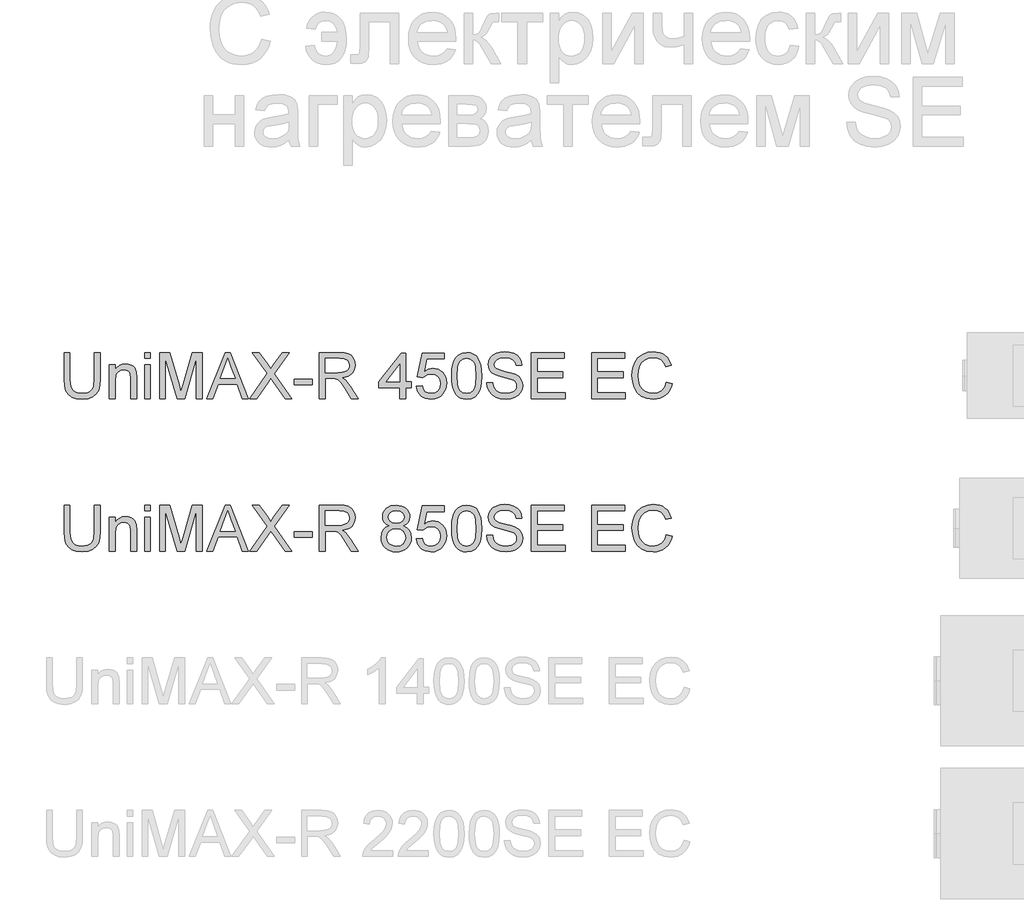
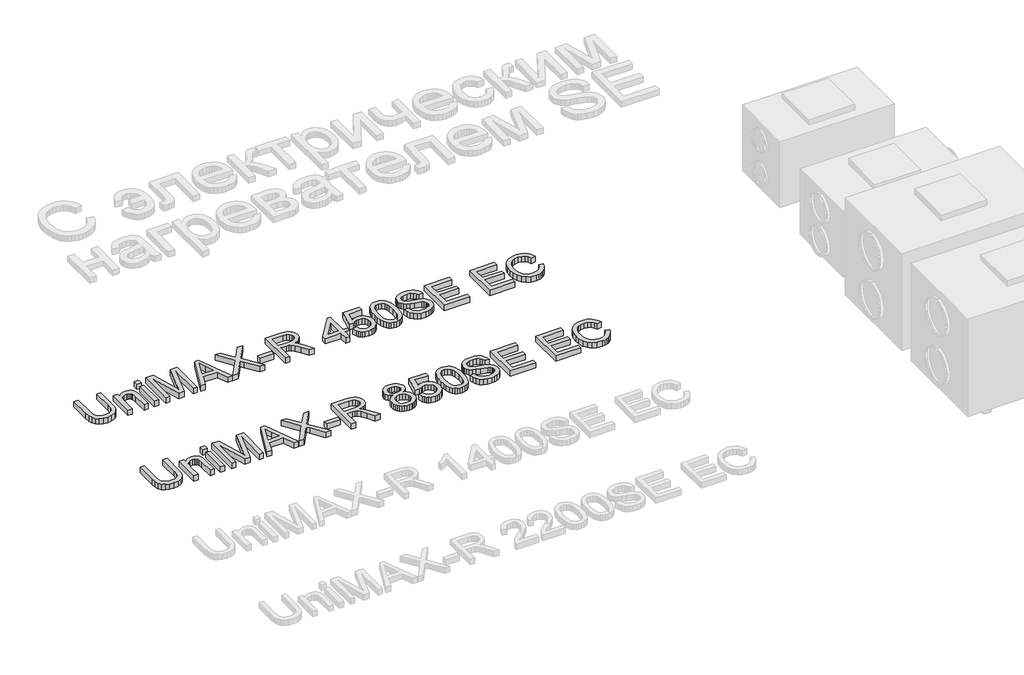
# One storey, part 51 of 74: 2 proxies.
"""IFC4 building model written with IfcOpenShell, lengths in millimetres."""

from ifc_helpers import new_model, si_unit, origin, origin_with_axes, place, context, project, spatial, polyline, outline, extrude, element, save

model = new_model("IFC4")

# Units and contexts
model_context = context("Model", 3, world=origin())
ifc_project = project(units=[si_unit("LENGTHUNIT", "METRE", prefix="MILLI")], contexts=[model_context])

# Site, building, storey
site = spatial("IfcSite", under=ifc_project)
building = spatial("IfcBuilding", under=site)
storey = spatial("IfcBuildingStorey", under=building, Elevation=0.0)

# Proxies
placement = place(None, origin())
element("IfcBuildingElementProxy", 1, Name="Generic Models", at=placement, inside=storey, context=model_context, shape_type="SweptSolid", body=[
    extrude(outline(polyline([(56360.9850854, -27731.9528304), (56398.6562017, -27731.9528304), (56398.6562017, -27905.8138613), (56396.0994218, -27946.5292011), (56388.4290822, -27977.8819441), (56374.1000785, -28002.0701853), (56351.5673063, -28021.2920196), (56320.7755833, -28033.8459926), (56281.6697272, -28038.0306503), (56243.4191968, -28034.3886186), (56212.8390059, -28023.4625233), (56189.9199576, -28005.6294436), (56174.6528548, -27981.2664585), (56166.0720073, -27948.5893403), (56163.2117248, -27905.8138613), (56163.2117248, -27731.9528304), (56200.8828411, -27731.9528304), (56200.8828411, -27904.4894861), (56202.7406451, -27938.3438267), (56208.3140574, -27961.9158655), (56218.4124181, -27978.2406291), (56233.8450678, -27990.3531438), (56253.968213, -27997.8579365), (56278.1380601, -28000.359534), (56316.4529698, -27995.4115212), (56330.7957691, -27989.2265052), (56341.928798, -27980.5674827), (56350.2659237, -27968.3905887), (56356.2210135, -27951.6519579), (56360.9850854, -27904.4894861), (56360.9850854, -27731.9528304)])), origin_with_axes(), (0.0, 0.0, 1.0), 50.0),
    extrude(outline(polyline([(56459.8717657, -28033.3217608), (56459.8717657, -27812.0039525), (56497.542882, -27812.0039525), (56497.542882, -27842.9060401), (56510.630284, -27827.3262376), (56526.3480422, -27816.1978072), (56544.6961567, -27809.520749), (56565.6746275, -27807.295063), (56584.2434712, -27809.0884877), (56601.2488164, -27814.4687619), (56615.4306673, -27822.7645009), (56625.5290281, -27833.30432), (56636.8230053, -27861.0058343), (56638.8095681, -27897.4261518), (56638.8095681, -28033.3217608), (56601.1384518, -28033.3217608), (56601.1384518, -27902.5029233), (56596.7974443, -27869.1728146), (56590.7917707, -27859.2491977), (56581.4567651, -27851.551267), (56569.4914032, -27846.6124512), (56555.5946608, -27844.9661793), (56533.5309382, -27848.6633933), (56514.7229712, -27859.7550355), (56507.2066821, -27868.8095311), (56501.8379043, -27881.1841617), (56497.542882, -27915.8938279), (56497.542882, -28033.3217608), (56459.8717657, -28033.3217608)])), origin_with_axes(), (0.0, 0.0, 1.0), 50.0),
    extrude(outline(polyline([(56690.607353, -28033.3217608), (56690.607353, -27812.0039525), (56728.2784694, -27812.0039525), (56728.2784694, -28033.3217608), (56690.607353, -28033.3217608)])), origin_with_axes(), (0.0, 0.0, 1.0), 50.0),
    extrude(outline(polyline([(56690.607353, -27769.6239467), (56690.607353, -27731.9528304), (56728.2784694, -27731.9528304), (56728.2784694, -27769.6239467), (56690.607353, -27769.6239467)])), origin_with_axes(), (0.0, 0.0, 1.0), 50.0),
    extrude(outline(polyline([(56789.4940333, -28033.3217608), (56789.4940333, -27731.9528304), (56854.3148409, -27731.9528304), (56915.9718633, -27944.3678944), (56928.4062747, -27988.734463), (56941.8707558, -27940.6890744), (57002.4977086, -27731.9528304), (57067.3185161, -27731.9528304), (57067.3185161, -28033.3217608), (57029.6473998, -28033.3217608), (57029.6473998, -27769.6239467), (56953.9372852, -28033.3217608), (56902.8752643, -28033.3217608), (56827.1651497, -27769.6239467), (56827.1651497, -28033.3217608), (56789.4940333, -28033.3217608)])), origin_with_axes(), (0.0, 0.0, 1.0), 50.0),
    extrude(outline(polyline([(57098.1470273, -28033.3217608), (57218.4444397, -27731.9528304), (57250.5237497, -27731.9528304), (57370.8211621, -28033.3217608), (57331.0163302, -28033.3217608), (57296.5089991, -27939.14397), (57172.3856139, -27939.14397), (57137.9518592, -28033.3217608), (57098.1470273, -28033.3217608)]), holes=[polyline([(57186.2179769, -27901.4728537), (57282.7502125, -27901.4728537), (57255.6005212, -27827.3814199), (57234.4840947, -27769.6239467), (57215.722113, -27820.9066968), (57186.2179769, -27901.4728537)])]), origin_with_axes(), (0.0, 0.0, 1.0), 50.0),
    extrude(outline(polyline([(57378.1052256, -28033.3217608), (57494.2823597, -27869.0992382), (57396.9407838, -27731.9528304), (57442.1166928, -27731.9528304), (57496.9311101, -27809.1344729), (57515.3987862, -27839.2272201), (57537.0302475, -27808.6194381), (57591.2560536, -27731.9528304), (57637.0941502, -27731.9528304), (57539.7525743, -27869.5406965), (57655.9297084, -28033.3217608), (57610.7537994, -28033.3217608), (57533.3514276, -27924.1343846), (57517.2381962, -27901.4728537), (57499.506284, -27926.3416766), (57423.9433222, -28033.3217608), (57378.1052256, -28033.3217608)])), origin_with_axes(), (0.0, 0.0, 1.0), 50.0),
    extrude(outline(polyline([(57670.056377, -27943.8528596), (57670.056377, -27906.1817433), (57787.7786155, -27906.1817433), (57787.7786155, -27943.8528596), (57670.056377, -27943.8528596)])), origin_with_axes(), (0.0, 0.0, 1.0), 50.0),
    extrude(outline(polyline([(57834.8675108, -28033.3217608), (57834.8675108, -27731.9528304), (57964.7298551, -27731.9528304), (57999.6326594, -27733.9853784), (58025.0257141, -27740.0830224), (58043.5853608, -27751.3402115), (58057.9879409, -27768.8513945), (58067.230976, -27790.5656292), (58070.3119878, -27814.4319737), (58065.2076251, -27844.1200507), (58049.894537, -27868.7313562), (58038.2947579, -27878.7607391), (58023.9128711, -27886.775968), (57986.8027749, -27896.7639642), (58008.213507, -27912.8771956), (58038.7477126, -27951.6519579), (58089.0003931, -28033.3217608), (58045.2224357, -28033.3217608), (58006.006215, -27970.855398), (57977.6793014, -27929.5054618), (57957.7768854, -27909.9709278), (57939.8610323, -27902.7972289), (57918.0088418, -27901.4728537), (57872.5386271, -27901.4728537), (57872.5386271, -28033.3217608), (57834.8675108, -28033.3217608)]), holes=[polyline([(57872.5386271, -27863.8017374), (57956.8571804, -27863.8017374), (57981.0730128, -27862.4681652), (57999.8625857, -27858.4674485), (58014.0076484, -27851.5328729), (58024.2899502, -27841.3977239), (58030.5531411, -27829.1380564), (58032.6408714, -27815.8299253), (58028.6585489, -27797.4542196), (58016.7115811, -27782.6469693), (57996.1561746, -27772.8797023), (57966.3485359, -27769.6239467), (57872.5386271, -27769.6239467), (57872.5386271, -27863.8017374)])]), origin_with_axes(), (0.0, 0.0, 1.0), 50.0),
    extrude(outline(polyline([(58362.2631391, -28033.3217608), (58362.2631391, -27962.6884177), (58225.7053425, -27962.6884177), (58225.7053425, -27925.0173014), (58371.6809182, -27736.6617199), (58399.9342554, -27736.6617199), (58399.9342554, -27925.0173014), (58437.6053717, -27925.0173014), (58437.6053717, -27962.6884177), (58399.9342554, -27962.6884177), (58399.9342554, -28033.3217608), (58362.2631391, -28033.3217608)]), holes=[polyline([(58362.2631391, -27925.0173014), (58362.2631391, -27808.6194381), (58272.0584739, -27925.0173014), (58362.2631391, -27925.0173014)])]), origin_with_axes(), (0.0, 0.0, 1.0), 50.0),
    extrude(outline(polyline([(58470.5675985, -27953.2706387), (58508.2387148, -27948.5617491), (58515.1548963, -27971.1772948), (58527.2214258, -27987.3732996), (58544.3831208, -27997.1129754), (58566.5847992, -28000.359534), (58593.5873377, -27995.8437825), (58613.8208474, -27982.2965281), (58626.457594, -27961.2812691), (58630.6698428, -27934.3615041), (58626.7243084, -27909.0144346), (58614.8877052, -27889.6270535), (58595.0680627, -27877.3214007), (58567.1734104, -27873.2195165), (58548.8988723, -27874.8565914), (58534.1008191, -27879.767816), (58512.9476044, -27896.7639642), (58475.276488, -27892.0550747), (58508.2387148, -27736.6617199), (58654.2142905, -27736.6617199), (58654.2142905, -27774.3328362), (58538.699344, -27774.3328362), (58522.5861126, -27857.3270143), (58549.4966806, -27840.9930537), (58577.6948355, -27835.5484002), (58596.0406508, -27837.2360588), (58612.8919454, -27842.2990348), (58628.2487194, -27850.7373281), (58642.1109729, -27862.5509386), (58653.5865918, -27877.0178981), (58661.7834626, -27893.416238), (58666.701585, -27911.7459584), (58668.3409591, -27932.0070593), (58662.4364531, -27969.6781756), (58655.0558206, -27986.4719887), (58644.722935, -28001.9046384), (58629.0695561, -28017.7097686), (58610.8042151, -28028.9991474), (58589.9269118, -28035.7727746), (58566.4376465, -28038.0306503), (58529.4379148, -28032.2273119), (58513.759244, -28024.9731388), (58499.9613699, -28014.8172964), (58488.4811524, -28002.2656226), (58479.7554513, -27987.823955), (58470.5675985, -27953.2706387)])), origin_with_axes(), (0.0, 0.0, 1.0), 50.0),
    extrude(outline(polyline([(58701.3031859, -27885.0653167), (58704.0714979, -27836.8267901), (58712.3764339, -27798.3555305), (58726.1352206, -27769.0629266), (58745.2650843, -27748.3603673), (58769.9039809, -27736.0547146), (58800.1898662, -27731.9528304), (58823.4032201, -27734.3808515), (58844.1885528, -27741.664915), (58861.5709771, -27753.5199123), (58874.5756056, -27769.6607349), (58884.3980549, -27789.9494269), (58892.2339414, -27814.2480327), (58897.3658952, -27845.104135), (58899.0765465, -27885.0653167), (58896.3358256, -27933.0279319), (58888.113663, -27971.407221), (58874.4376499, -28000.727416), (58855.3353773, -28021.5127488), (58830.6412983, -28033.9011749), (58800.1898662, -28038.0306503), (58779.4413217, -28036.2372256), (58761.0472219, -28030.8569514), (58745.0075669, -28021.8898278), (58731.3223567, -28009.3358547), (58718.1889695, -27986.6421341), (58708.8079786, -27958.3658043), (58703.1793841, -27924.5068652), (58701.3031859, -27885.0653167)]), holes=[polyline([(58738.9743022, -27884.9917403), (58743.3888861, -27944.2483327), (58748.9071161, -27964.5163314), (58756.632638, -27978.5441317), (58776.3511129, -27994.9056835), (58800.1898662, -28000.359534), (58824.0286195, -27994.8872894), (58843.7470944, -27978.4705553), (58851.4726163, -27964.4197624), (58856.9908462, -27944.1563622), (58861.4054302, -27884.9917403), (58857.137999, -27827.0687202), (58851.8037101, -27806.8674001), (58844.3357056, -27792.5062068), (58824.6540189, -27775.3445117), (58799.7484078, -27769.6239467), (58776.1671719, -27774.66393), (58757.2212491, -27789.78388), (58749.2382099, -27805.4188648), (58743.5360389, -27826.4985031), (58738.9743022, -27884.9917403)])]), origin_with_axes(), (0.0, 0.0, 1.0), 50.0),
    extrude(outline(polyline([(58932.0387733, -27929.726191), (58969.7098896, -27929.726191), (58974.032503, -27950.6310853), (58981.8499954, -27967.4340955), (58994.0452835, -27980.7698178), (59011.5012842, -27991.2728488), (59032.8384399, -27998.0878627), (59056.6771932, -28000.359534), (59077.664861, -27998.6396857), (59096.0405667, -27993.4801407), (59110.9305905, -27985.3131604), (59121.4612126, -27974.5710062), (59127.7244035, -27962.2377623), (59129.8121339, -27949.2975131), (59128.2486354, -27936.6883577), (59123.5581399, -27925.7898536), (59114.0299963, -27916.4916362), (59097.9535531, -27908.6833408), (59043.1023476, -27894.2991548), (59007.0958973, -27884.7802082), (58984.0572874, -27875.7211141), (58965.3045027, -27863.0475793), (58952.0147656, -27847.688506), (58944.0961056, -27829.974988), (58941.4565523, -27810.2381189), (58944.721505, -27788.1743963), (58954.5163632, -27767.6005957), (58970.5836093, -27750.1629891), (58992.6657261, -27737.5078485), (59019.1716238, -27729.8099177), (59048.5102129, -27727.2439408), (59080.2952173, -27729.9294794), (59108.1070961, -27737.9860951), (59130.952568, -27751.248241), (59147.8383516, -27769.5503703), (59158.5253236, -27791.7520487), (59162.7743606, -27816.712842), (59125.1032443, -27816.712842), (59118.1870628, -27794.2352521), (59103.7660886, -27778.0116561), (59081.2333164, -27768.1892069), (59049.9817409, -27764.9150571), (59017.9944014, -27768.1524187), (58996.0502404, -27777.8645034), (58983.3583116, -27792.1567189), (58979.1276686, -27809.1344729), (58982.1259069, -27823.6106295), (58991.1206217, -27835.2540946), (59012.384201, -27845.6651551), (59052.6304913, -27856.2969447), (59094.1643685, -27866.3953055), (59119.2907088, -27875.2060793), (59140.7658203, -27888.8728954), (59155.7478145, -27905.7402849), (59164.5493913, -27925.6243067), (59167.4832502, -27948.3410199), (59164.1079329, -27971.5635709), (59153.9819809, -27993.4065643), (59137.5192617, -28012.2053343), (59115.1336423, -28026.2952147), (59088.2138773, -28035.0967914), (59058.1487212, -28038.0306503), (59021.24096, -28034.8668652), (58990.8631043, -28025.3755097), (58966.6656661, -28009.5197957), (58948.2991574, -27987.262935), (58936.5085395, -27960.150032), (58932.0387733, -27929.726191)])), origin_with_axes(), (0.0, 0.0, 1.0), 50.0),
    extrude(outline(polyline([(59223.9899246, -28033.3217608), (59223.9899246, -27731.9528304), (59440.5988434, -27731.9528304), (59440.5988434, -27769.6239467), (59261.6610409, -27769.6239467), (59261.6610409, -27859.0928479), (59431.1810643, -27859.0928479), (59431.1810643, -27896.7639642), (59261.6610409, -27896.7639642), (59261.6610409, -27995.6506445), (59445.3077329, -27995.6506445), (59445.3077329, -28033.3217608), (59223.9899246, -28033.3217608)])), origin_with_axes(), (0.0, 0.0, 1.0), 50.0),
    extrude(outline(polyline([(59619.5366458, -28033.3217608), (59619.5366458, -27731.9528304), (59836.1455646, -27731.9528304), (59836.1455646, -27769.6239467), (59657.2077622, -27769.6239467), (59657.2077622, -27859.0928479), (59826.7277855, -27859.0928479), (59826.7277855, -27896.7639642), (59657.2077622, -27896.7639642), (59657.2077622, -27995.6506445), (59840.8544541, -27995.6506445), (59840.8544541, -28033.3217608), (59619.5366458, -28033.3217608)])), origin_with_axes(), (0.0, 0.0, 1.0), 50.0),
    extrude(outline(polyline([(60109.2611578, -27926.1945238), (60146.9322741, -27935.9066085), (60139.4780652, -27959.3337938), (60129.5498499, -27979.8041276), (60117.1476281, -27997.3176098), (60102.2713999, -28011.8742405), (60085.2568576, -28023.3176698), (60066.4396936, -28031.4915479), (60045.8199078, -28036.3958747), (60023.3975001, -28038.0306503), (59979.7023162, -28033.0826375), (59945.001847, -28018.238599), (59918.4039787, -27994.0135696), (59899.0165976, -27960.9225842), (59887.1799944, -27922.0190632), (59883.23446, -27880.3564272), (59887.6950292, -27836.4129229), (59901.0767368, -27798.4658951), (59922.6806069, -27767.7201573), (59951.8076639, -27745.3805232), (59986.3517832, -27731.7780864), (60024.2068405, -27727.2439408), (60065.5107915, -27733.1116586), (60083.4795277, -27740.4463059), (60099.6594377, -27750.7148121), (60113.7838071, -27763.6458642), (60125.5859214, -27778.9681493), (60142.2233846, -27816.7864184), (60104.5522683, -27825.7627391), (60091.4924575, -27798.2911511), (60073.6501807, -27779.4463959), (60050.8047088, -27768.5478918), (60022.7353126, -27764.9150571), (59990.3800911, -27768.943365), (59963.8006169, -27781.0282885), (59943.6314865, -27799.9006349), (59930.5072964, -27824.2912111), (59923.3060063, -27851.8639667), (59920.9055763, -27880.2828508), (59923.7474647, -27915.0844876), (59932.2731299, -27945.1772348), (59946.8044688, -27969.4114612), (59967.6633779, -27986.6375356), (59992.6701565, -27996.9290344), (60019.6451038, -28000.359534), (60051.0898173, -27995.6874327), (60077.2922124, -27981.6711287), (60097.0750667, -27958.4577748), (60109.2611578, -27926.1945238)])), origin_with_axes(), (0.0, 0.0, 1.0), 50.0),
])
element("IfcBuildingElementProxy", 2, Name="Generic Models", at=placement, inside=storey, context=model_context, shape_type="SweptSolid", body=[
    extrude(outline(polyline([(56360.9850854, -28731.9528304), (56398.6562017, -28731.9528304), (56398.6562017, -28905.8138613), (56396.0994218, -28946.5292011), (56388.4290822, -28977.8819441), (56374.1000785, -29002.0701853), (56351.5673063, -29021.2920196), (56320.7755833, -29033.8459926), (56281.6697272, -29038.0306503), (56243.4191968, -29034.3886186), (56212.8390059, -29023.4625233), (56189.9199576, -29005.6294436), (56174.6528548, -28981.2664585), (56166.0720073, -28948.5893403), (56163.2117248, -28905.8138613), (56163.2117248, -28731.9528304), (56200.8828411, -28731.9528304), (56200.8828411, -28904.4894861), (56202.7406451, -28938.3438267), (56208.3140574, -28961.9158655), (56218.4124181, -28978.2406291), (56233.8450678, -28990.3531438), (56253.968213, -28997.8579365), (56278.1380601, -29000.359534), (56316.4529698, -28995.4115212), (56330.7957691, -28989.2265052), (56341.928798, -28980.5674827), (56350.2659237, -28968.3905887), (56356.2210135, -28951.6519579), (56360.9850854, -28904.4894861), (56360.9850854, -28731.9528304)])), origin_with_axes(), (0.0, 0.0, 1.0), 50.0),
    extrude(outline(polyline([(56459.8717657, -29033.3217608), (56459.8717657, -28812.0039525), (56497.542882, -28812.0039525), (56497.542882, -28842.9060401), (56510.630284, -28827.3262376), (56526.3480422, -28816.1978072), (56544.6961567, -28809.520749), (56565.6746275, -28807.295063), (56584.2434712, -28809.0884877), (56601.2488164, -28814.4687619), (56615.4306673, -28822.7645009), (56625.5290281, -28833.30432), (56636.8230053, -28861.0058343), (56638.8095681, -28897.4261518), (56638.8095681, -29033.3217608), (56601.1384518, -29033.3217608), (56601.1384518, -28902.5029233), (56596.7974443, -28869.1728146), (56590.7917707, -28859.2491977), (56581.4567651, -28851.551267), (56569.4914032, -28846.6124512), (56555.5946608, -28844.9661793), (56533.5309382, -28848.6633933), (56514.7229712, -28859.7550355), (56507.2066821, -28868.8095311), (56501.8379043, -28881.1841617), (56497.542882, -28915.8938279), (56497.542882, -29033.3217608), (56459.8717657, -29033.3217608)])), origin_with_axes(), (0.0, 0.0, 1.0), 50.0),
    extrude(outline(polyline([(56690.607353, -29033.3217608), (56690.607353, -28812.0039525), (56728.2784694, -28812.0039525), (56728.2784694, -29033.3217608), (56690.607353, -29033.3217608)])), origin_with_axes(), (0.0, 0.0, 1.0), 50.0),
    extrude(outline(polyline([(56690.607353, -28769.6239467), (56690.607353, -28731.9528304), (56728.2784694, -28731.9528304), (56728.2784694, -28769.6239467), (56690.607353, -28769.6239467)])), origin_with_axes(), (0.0, 0.0, 1.0), 50.0),
    extrude(outline(polyline([(56789.4940333, -29033.3217608), (56789.4940333, -28731.9528304), (56854.3148409, -28731.9528304), (56915.9718633, -28944.3678944), (56928.4062747, -28988.734463), (56941.8707558, -28940.6890744), (57002.4977086, -28731.9528304), (57067.3185161, -28731.9528304), (57067.3185161, -29033.3217608), (57029.6473998, -29033.3217608), (57029.6473998, -28769.6239467), (56953.9372852, -29033.3217608), (56902.8752643, -29033.3217608), (56827.1651497, -28769.6239467), (56827.1651497, -29033.3217608), (56789.4940333, -29033.3217608)])), origin_with_axes(), (0.0, 0.0, 1.0), 50.0),
    extrude(outline(polyline([(57098.1470273, -29033.3217608), (57218.4444397, -28731.9528304), (57250.5237497, -28731.9528304), (57370.8211621, -29033.3217608), (57331.0163302, -29033.3217608), (57296.5089991, -28939.14397), (57172.3856139, -28939.14397), (57137.9518592, -29033.3217608), (57098.1470273, -29033.3217608)]), holes=[polyline([(57186.2179769, -28901.4728537), (57282.7502125, -28901.4728537), (57255.6005212, -28827.3814199), (57234.4840947, -28769.6239467), (57215.722113, -28820.9066968), (57186.2179769, -28901.4728537)])]), origin_with_axes(), (0.0, 0.0, 1.0), 50.0),
    extrude(outline(polyline([(57378.1052256, -29033.3217608), (57494.2823597, -28869.0992382), (57396.9407838, -28731.9528304), (57442.1166928, -28731.9528304), (57496.9311101, -28809.1344729), (57515.3987862, -28839.2272201), (57537.0302475, -28808.6194381), (57591.2560536, -28731.9528304), (57637.0941502, -28731.9528304), (57539.7525743, -28869.5406965), (57655.9297084, -29033.3217608), (57610.7537994, -29033.3217608), (57533.3514276, -28924.1343846), (57517.2381962, -28901.4728537), (57499.506284, -28926.3416766), (57423.9433222, -29033.3217608), (57378.1052256, -29033.3217608)])), origin_with_axes(), (0.0, 0.0, 1.0), 50.0),
    extrude(outline(polyline([(57670.056377, -28943.8528596), (57670.056377, -28906.1817433), (57787.7786155, -28906.1817433), (57787.7786155, -28943.8528596), (57670.056377, -28943.8528596)])), origin_with_axes(), (0.0, 0.0, 1.0), 50.0),
    extrude(outline(polyline([(57834.8675108, -29033.3217608), (57834.8675108, -28731.9528304), (57964.7298551, -28731.9528304), (57999.6326594, -28733.9853784), (58025.0257141, -28740.0830224), (58043.5853608, -28751.3402115), (58057.9879409, -28768.8513945), (58067.230976, -28790.5656292), (58070.3119878, -28814.4319737), (58065.2076251, -28844.1200507), (58049.894537, -28868.7313562), (58038.2947579, -28878.7607391), (58023.9128711, -28886.775968), (57986.8027749, -28896.7639642), (58008.213507, -28912.8771956), (58038.7477126, -28951.6519579), (58089.0003931, -29033.3217608), (58045.2224357, -29033.3217608), (58006.006215, -28970.855398), (57977.6793014, -28929.5054618), (57957.7768854, -28909.9709278), (57939.8610323, -28902.7972289), (57918.0088418, -28901.4728537), (57872.5386271, -28901.4728537), (57872.5386271, -29033.3217608), (57834.8675108, -29033.3217608)]), holes=[polyline([(57872.5386271, -28863.8017374), (57956.8571804, -28863.8017374), (57981.0730128, -28862.4681652), (57999.8625857, -28858.4674485), (58014.0076484, -28851.5328729), (58024.2899502, -28841.3977239), (58030.5531411, -28829.1380564), (58032.6408714, -28815.8299253), (58028.6585489, -28797.4542196), (58016.7115811, -28782.6469693), (57996.1561746, -28772.8797023), (57966.3485359, -28769.6239467), (57872.5386271, -28769.6239467), (57872.5386271, -28863.8017374)])]), origin_with_axes(), (0.0, 0.0, 1.0), 50.0),
    extrude(outline(polyline([(58294.7200048, -28867.3334046), (58274.5508744, -28857.4005907), (58260.3966147, -28843.9361097), (58252.0364963, -28827.215873), (58249.2497902, -28807.5157922), (58250.7673034, -28792.1521203), (58255.3198431, -28778.0668384), (58262.9074093, -28765.2599465), (58273.5300019, -28753.7314445), (58286.6771847, -28744.2033008), (58301.8385214, -28737.3974839), (58338.2036566, -28731.9528304), (58374.7895211, -28737.5262426), (58390.1164047, -28744.4930079), (58403.4659226, -28754.2464793), (58414.2816532, -28766.000309), (58422.0071751, -28778.9681493), (58426.6424883, -28793.1500003), (58428.1875927, -28808.5458617), (58425.4376747, -28827.6113461), (58417.187921, -28844.0464743), (58403.3463609, -28857.4281819), (58383.821024, -28867.3334046), (58407.0067868, -28879.2803724), (58423.8833733, -28896.8743288), (58434.1748721, -28919.2691452), (58437.6053717, -28945.6186932), (58435.9039175, -28964.4082661), (58430.7995548, -28981.6343405), (58422.2922837, -28997.2969164), (58410.3821041, -29011.3959939), (58395.6944154, -29023.0486561), (58378.8546171, -29031.3719862), (58359.8627091, -29036.3659843), (58338.7186914, -29038.0306503), (58317.5746738, -29036.3590865), (58298.5827658, -29031.3443951), (58281.7429674, -29022.986576), (58267.0552788, -29011.2856293), (58255.1450992, -28997.0876835), (58246.637828, -28981.2388673), (58241.5334654, -28963.7391807), (58239.8320111, -28944.5886236), (58243.4004665, -28917.2182031), (58254.1058325, -28894.703825), (58271.3962863, -28877.8180414), (58294.7200048, -28867.3334046)]), holes=[polyline([(58277.5031274, -28943.2642484), (58283.7939096, -28971.6279502), (58292.5035158, -28983.7956472), (58306.0507703, -28992.8547413), (58322.2743663, -28998.4833359), (58339.012997, -29000.359534), (58364.6543721, -28996.4139996), (58383.8946004, -28984.5773964), (58395.9243417, -28966.6523462), (58399.9342554, -28944.4414708), (58395.795583, -28921.8535163), (58383.3795657, -28903.5329929), (58363.6978789, -28891.3928871), (58337.7621982, -28887.3461851), (58312.4795081, -28891.3377048), (58293.4324178, -28903.3122637), (58281.48545, -28921.2832992), (58277.5031274, -28943.2642484)]), polyline([(58286.9209065, -28808.6194381), (58290.2594356, -28825.0637633), (58300.2750229, -28838.1971506), (58316.6733629, -28846.8055892), (58339.1601498, -28849.6750688), (58361.1227049, -28846.8239833), (58377.2727245, -28838.270727), (58387.2055384, -28825.5787981), (58390.5164764, -28810.3116953), (58387.0951738, -28794.4651784), (58376.8312661, -28781.3593823), (58360.4605174, -28772.5578056), (58338.7186914, -28769.6239467), (58316.8389098, -28772.4934262), (58300.4957521, -28781.1018649), (58290.3146179, -28793.7202173), (58286.9209065, -28808.6194381)])]), origin_with_axes(), (0.0, 0.0, 1.0), 50.0),
    extrude(outline(polyline([(58470.5675985, -28953.2706387), (58508.2387148, -28948.5617491), (58515.1548963, -28971.1772948), (58527.2214258, -28987.3732996), (58544.3831208, -28997.1129754), (58566.5847992, -29000.359534), (58593.5873377, -28995.8437825), (58613.8208474, -28982.2965281), (58626.457594, -28961.2812691), (58630.6698428, -28934.3615041), (58626.7243084, -28909.0144346), (58614.8877052, -28889.6270535), (58595.0680627, -28877.3214007), (58567.1734104, -28873.2195165), (58548.8988723, -28874.8565914), (58534.1008191, -28879.767816), (58512.9476044, -28896.7639642), (58475.276488, -28892.0550747), (58508.2387148, -28736.6617199), (58654.2142905, -28736.6617199), (58654.2142905, -28774.3328362), (58538.699344, -28774.3328362), (58522.5861126, -28857.3270143), (58549.4966806, -28840.9930537), (58577.6948355, -28835.5484002), (58596.0406508, -28837.2360588), (58612.8919454, -28842.2990348), (58628.2487194, -28850.7373281), (58642.1109729, -28862.5509386), (58653.5865918, -28877.0178981), (58661.7834626, -28893.416238), (58666.701585, -28911.7459584), (58668.3409591, -28932.0070593), (58662.4364531, -28969.6781756), (58655.0558206, -28986.4719887), (58644.722935, -29001.9046384), (58629.0695561, -29017.7097686), (58610.8042151, -29028.9991474), (58589.9269118, -29035.7727746), (58566.4376465, -29038.0306503), (58529.4379148, -29032.2273119), (58513.759244, -29024.9731388), (58499.9613699, -29014.8172964), (58488.4811524, -29002.2656226), (58479.7554513, -28987.823955), (58470.5675985, -28953.2706387)])), origin_with_axes(), (0.0, 0.0, 1.0), 50.0),
    extrude(outline(polyline([(58701.3031859, -28885.0653167), (58704.0714979, -28836.8267901), (58712.3764339, -28798.3555305), (58726.1352206, -28769.0629266), (58745.2650843, -28748.3603673), (58769.9039809, -28736.0547146), (58800.1898662, -28731.9528304), (58823.4032201, -28734.3808515), (58844.1885528, -28741.664915), (58861.5709771, -28753.5199123), (58874.5756056, -28769.6607349), (58884.3980549, -28789.9494269), (58892.2339414, -28814.2480327), (58897.3658952, -28845.104135), (58899.0765465, -28885.0653167), (58896.3358256, -28933.0279319), (58888.113663, -28971.407221), (58874.4376499, -29000.727416), (58855.3353773, -29021.5127488), (58830.6412983, -29033.9011749), (58800.1898662, -29038.0306503), (58779.4413217, -29036.2372256), (58761.0472219, -29030.8569514), (58745.0075669, -29021.8898278), (58731.3223567, -29009.3358547), (58718.1889695, -28986.6421341), (58708.8079786, -28958.3658043), (58703.1793841, -28924.5068652), (58701.3031859, -28885.0653167)]), holes=[polyline([(58738.9743022, -28884.9917403), (58743.3888861, -28944.2483327), (58748.9071161, -28964.5163314), (58756.632638, -28978.5441317), (58776.3511129, -28994.9056835), (58800.1898662, -29000.359534), (58824.0286195, -28994.8872894), (58843.7470944, -28978.4705553), (58851.4726163, -28964.4197624), (58856.9908462, -28944.1563622), (58861.4054302, -28884.9917403), (58857.137999, -28827.0687202), (58851.8037101, -28806.8674001), (58844.3357056, -28792.5062068), (58824.6540189, -28775.3445117), (58799.7484078, -28769.6239467), (58776.1671719, -28774.66393), (58757.2212491, -28789.78388), (58749.2382099, -28805.4188648), (58743.5360389, -28826.4985031), (58738.9743022, -28884.9917403)])]), origin_with_axes(), (0.0, 0.0, 1.0), 50.0),
    extrude(outline(polyline([(58932.0387733, -28929.726191), (58969.7098896, -28929.726191), (58974.032503, -28950.6310853), (58981.8499954, -28967.4340955), (58994.0452835, -28980.7698178), (59011.5012842, -28991.2728488), (59032.8384399, -28998.0878627), (59056.6771932, -29000.359534), (59077.664861, -28998.6396857), (59096.0405667, -28993.4801407), (59110.9305905, -28985.3131604), (59121.4612126, -28974.5710062), (59127.7244035, -28962.2377623), (59129.8121339, -28949.2975131), (59128.2486354, -28936.6883577), (59123.5581399, -28925.7898536), (59114.0299963, -28916.4916362), (59097.9535531, -28908.6833408), (59043.1023476, -28894.2991548), (59007.0958973, -28884.7802082), (58984.0572874, -28875.7211141), (58965.3045027, -28863.0475793), (58952.0147656, -28847.688506), (58944.0961056, -28829.974988), (58941.4565523, -28810.2381189), (58944.721505, -28788.1743963), (58954.5163632, -28767.6005957), (58970.5836093, -28750.1629891), (58992.6657261, -28737.5078485), (59019.1716238, -28729.8099177), (59048.5102129, -28727.2439408), (59080.2952173, -28729.9294794), (59108.1070961, -28737.9860951), (59130.952568, -28751.248241), (59147.8383516, -28769.5503703), (59158.5253236, -28791.7520487), (59162.7743606, -28816.712842), (59125.1032443, -28816.712842), (59118.1870628, -28794.2352521), (59103.7660886, -28778.0116561), (59081.2333164, -28768.1892069), (59049.9817409, -28764.9150571), (59017.9944014, -28768.1524187), (58996.0502404, -28777.8645034), (58983.3583116, -28792.1567189), (58979.1276686, -28809.1344729), (58982.1259069, -28823.6106295), (58991.1206217, -28835.2540946), (59012.384201, -28845.6651551), (59052.6304913, -28856.2969447), (59094.1643685, -28866.3953055), (59119.2907088, -28875.2060793), (59140.7658203, -28888.8728954), (59155.7478145, -28905.7402849), (59164.5493913, -28925.6243067), (59167.4832502, -28948.3410199), (59164.1079329, -28971.5635709), (59153.9819809, -28993.4065643), (59137.5192617, -29012.2053343), (59115.1336423, -29026.2952147), (59088.2138773, -29035.0967914), (59058.1487212, -29038.0306503), (59021.24096, -29034.8668652), (58990.8631043, -29025.3755097), (58966.6656661, -29009.5197957), (58948.2991574, -28987.262935), (58936.5085395, -28960.150032), (58932.0387733, -28929.726191)])), origin_with_axes(), (0.0, 0.0, 1.0), 50.0),
    extrude(outline(polyline([(59223.9899246, -29033.3217608), (59223.9899246, -28731.9528304), (59440.5988434, -28731.9528304), (59440.5988434, -28769.6239467), (59261.6610409, -28769.6239467), (59261.6610409, -28859.0928479), (59431.1810643, -28859.0928479), (59431.1810643, -28896.7639642), (59261.6610409, -28896.7639642), (59261.6610409, -28995.6506445), (59445.3077329, -28995.6506445), (59445.3077329, -29033.3217608), (59223.9899246, -29033.3217608)])), origin_with_axes(), (0.0, 0.0, 1.0), 50.0),
    extrude(outline(polyline([(59619.5366458, -29033.3217608), (59619.5366458, -28731.9528304), (59836.1455646, -28731.9528304), (59836.1455646, -28769.6239467), (59657.2077622, -28769.6239467), (59657.2077622, -28859.0928479), (59826.7277855, -28859.0928479), (59826.7277855, -28896.7639642), (59657.2077622, -28896.7639642), (59657.2077622, -28995.6506445), (59840.8544541, -28995.6506445), (59840.8544541, -29033.3217608), (59619.5366458, -29033.3217608)])), origin_with_axes(), (0.0, 0.0, 1.0), 50.0),
    extrude(outline(polyline([(60109.2611578, -28926.1945238), (60146.9322741, -28935.9066085), (60139.4780652, -28959.3337938), (60129.5498499, -28979.8041276), (60117.1476281, -28997.3176098), (60102.2713999, -29011.8742405), (60085.2568576, -29023.3176698), (60066.4396936, -29031.4915479), (60045.8199078, -29036.3958747), (60023.3975001, -29038.0306503), (59979.7023162, -29033.0826375), (59945.001847, -29018.238599), (59918.4039787, -28994.0135696), (59899.0165976, -28960.9225842), (59887.1799944, -28922.0190632), (59883.23446, -28880.3564272), (59887.6950292, -28836.4129229), (59901.0767368, -28798.4658951), (59922.6806069, -28767.7201573), (59951.8076639, -28745.3805232), (59986.3517832, -28731.7780864), (60024.2068405, -28727.2439408), (60065.5107915, -28733.1116586), (60083.4795277, -28740.4463059), (60099.6594377, -28750.7148121), (60113.7838071, -28763.6458642), (60125.5859214, -28778.9681493), (60142.2233846, -28816.7864184), (60104.5522683, -28825.7627391), (60091.4924575, -28798.2911511), (60073.6501807, -28779.4463959), (60050.8047088, -28768.5478918), (60022.7353126, -28764.9150571), (59990.3800911, -28768.943365), (59963.8006169, -28781.0282885), (59943.6314865, -28799.9006349), (59930.5072964, -28824.2912111), (59923.3060063, -28851.8639667), (59920.9055763, -28880.2828508), (59923.7474647, -28915.0844876), (59932.2731299, -28945.1772348), (59946.8044688, -28969.4114612), (59967.6633779, -28986.6375356), (59992.6701565, -28996.9290344), (60019.6451038, -29000.359534), (60051.0898173, -28995.6874327), (60077.2922124, -28981.6711287), (60097.0750667, -28958.4577748), (60109.2611578, -28926.1945238)])), origin_with_axes(), (0.0, 0.0, 1.0), 50.0),
])

save(model, "model.ifc")
